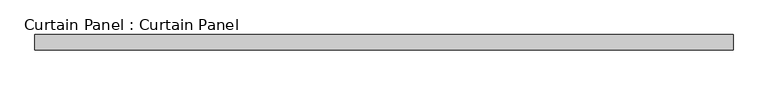
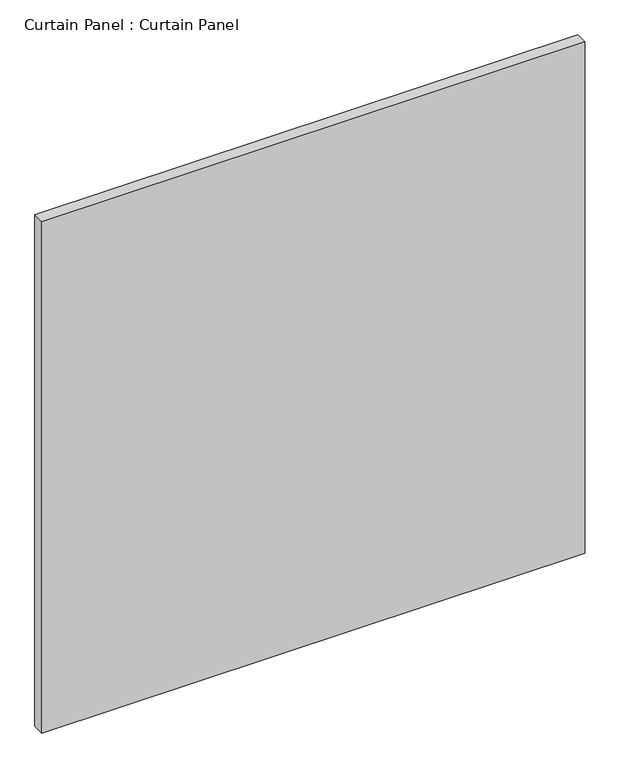
"""IFC4 building model written with IfcOpenShell, lengths in millimetres: plate geometry, Curtain Panel : Curtain Panel."""

from ifc_helpers import new_model, si_unit, frame, origin, place, context, project, spatial, polyline, outline, extrude, source, transform, mapped, element, save


def curtain_panel_curtain_panel_19a4e7fe(model_context):
    return source(origin(), model_context, "Body", "SweptSolid", [
        extrude(outline(polyline([(-407798.5820997, 7226.1665558), (-408947.7149983, 7226.1665558), (-408947.7149983, 7251.5665558), (-407798.5820997, 7251.5665558), (-407798.5820997, 7226.1665558)])), frame((0.0, 0.0, 66.6751132), z_axis=(0.0, 0.0, 1.0), x_axis=(1.0, 0.0, 0.0)), (0.0, 0.0, 1.0), 1142.9997736),
    ])


if __name__ == "__main__":
    model = new_model("IFC4")
    model_context = context("Model", 3, world=origin())
    ifc_project = project(units=[si_unit("LENGTHUNIT", "METRE", prefix="MILLI")], contexts=[model_context])
    site = spatial("IfcSite", under=ifc_project)
    building = spatial("IfcBuilding", under=site)
    placement = place(None, origin())
    curtain_panel_curtain_panel_shape = curtain_panel_curtain_panel_19a4e7fe(model_context)
    element("IfcPlate", 1, ObjectType="Curtain Panel : Curtain Panel", at=placement, inside=building, context=model_context, shape_type="MappedRepresentation", body=[
        mapped(curtain_panel_curtain_panel_shape, transform((0.0, 0.0, 0.0), x_axis=(1.0, 0.0, 0.0), y_axis=(0.0, 1.0, 0.0), z_axis=(0.0, 0.0, 1.0))),
    ])
    save(model, "model.ifc")
